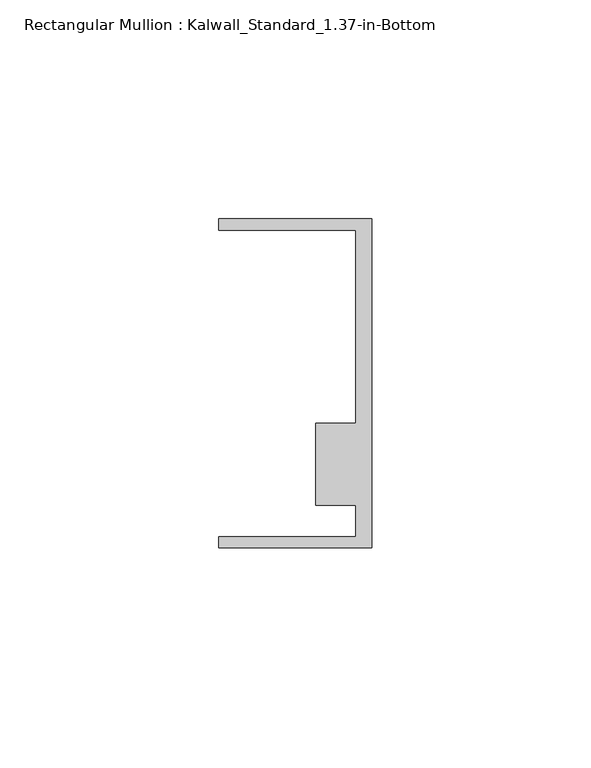
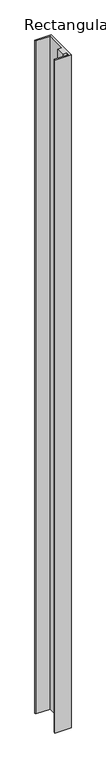
"""IFC4 building model written with IfcOpenShell, lengths in millimetres: member geometry, Rectangular Mullion : Kalwall_Standard_1.37-in-Bottom."""

from ifc_helpers import new_model, si_unit, frame, origin, place, context, project, spatial, polyline, outline, extrude, source, transform, mapped, element, save


def rectangular_mullion_kalwall_standard_1_37_in_bottom_897d9132(model_context):
    return source(origin(), model_context, "Body", "SweptSolid", [
        extrude(outline(polyline([(0.0, -37.5776386), (-34.925, -37.5776386), (-34.925, -35.0376386), (-3.7084, -35.0376386), (-3.7084, -27.8888568), (-12.8272539, -27.8888568), (-12.8272539, -9.1879886), (-3.7084, -9.1879886), (-3.7084, 34.9623614), (-34.925, 34.9623614), (-34.925, 37.5023614), (0.0, 37.5023614), (0.0, -37.5776386)])), frame((0.0, 0.0, -1539.9742188), z_axis=(0.0, 0.0, 1.0), x_axis=(1.0, 0.0, 0.0)), (0.0, 0.0, 1.0), 1539.9742188),
    ])


if __name__ == "__main__":
    model = new_model("IFC4")
    model_context = context("Model", 3, world=origin())
    ifc_project = project(units=[si_unit("LENGTHUNIT", "METRE", prefix="MILLI")], contexts=[model_context])
    site = spatial("IfcSite", under=ifc_project)
    building = spatial("IfcBuilding", under=site)
    placement = place(None, origin())
    rectangular_mullion_kalwall_standard_1_37_in_bottom_shape = rectangular_mullion_kalwall_standard_1_37_in_bottom_897d9132(model_context)
    element("IfcMember", 1, ObjectType="Rectangular Mullion : Kalwall_Standard_1.37-in-Bottom", at=placement, inside=building, context=model_context, shape_type="MappedRepresentation", body=[
        mapped(rectangular_mullion_kalwall_standard_1_37_in_bottom_shape, transform((0.0, 0.0, 0.0), x_axis=(1.0, 0.0, 0.0), y_axis=(0.0, 1.0, 0.0), z_axis=(0.0, 0.0, 1.0))),
    ])
    save(model, "model.ifc")
